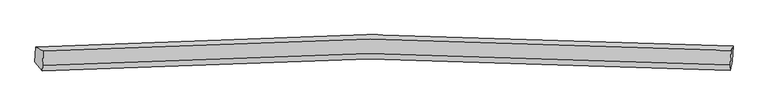
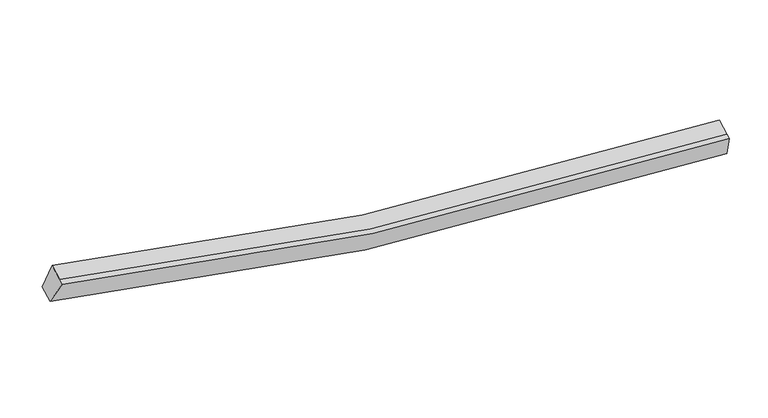
"""IFC4 building model written with IfcOpenShell, lengths in millimetres: proxy geometry."""

from ifc_helpers import new_model, si_unit, frame, origin, place, context, project, spatial, source, transform, mapped, element, save
from ifc_brep_helpers import plane_surface, spline_curve, spline_surface, advanced_brep


def generic_models_6af032a0(model_context):
    return source(origin(), model_context, "Body", "AdvancedBrep", [
        advanced_brep(
        [(-9465.9263766, -1861.3106986, 4316.8467789), (-9246.4369669, -1984.2141549, 4986.4795535), (10544.1304342, -1966.2738791, 2608.3012452), (10601.8425895, -1843.0189854, 1906.0431362), (-9265.9842343, -2404.5746541, 4815.8678601), (10524.5831667, -2386.6343784, 2437.6895519), (-9272.8718462, -2552.6915177, 4755.7516766), (10517.6955549, -2534.751242, 2377.5733683), (-9486.0215724, -2293.4542985, 4141.452679), (10581.7473937, -2275.1625853, 1730.6490364)],
        [
            (0, 1),
            (1, 2, spline_curve(3, [(-9246.4369669, -1984.2141549, 4986.4795535), (-6141.165403625, -1765.831830867, 4109.914816101), (-3006.439838329, -1650.899739025, 3471.459521288), (3585.308321865, -1626.980264507, 2637.44267932), (7047.438556092, -1735.932262914, 2483.171872079), (10544.1304342, -1966.2738791, 2608.3012452)], [4, 2, 4], [0.0, 31.726532313331905, 66.09400840976194])),
            (2, 3),
            (3, 0, spline_curve(3, [(10601.8425895, -1843.0189854, 1906.0431362), (7055.170774818, -1609.057736226, 1777.721840204), (3544.066052779, -1498.399910688, 1933.400844408), (-3139.934040188, -1522.719359708, 2778.972619866), (-6318.085639184, -1639.474424382, 3426.894829199), (-9465.9263766, -1861.3106986, 4316.8467789)], [4, 2, 4], [0.0, 34.36747609643004, 66.09400840976194])),
            (1, 4),
            (4, 5, spline_curve(3, [(-9265.9842343, -2404.5746541, 4815.8678601), (-6160.712670932, -2186.192329355, 3939.303123536), (-3025.987105107, -2071.260238748, 3300.847827206), (3565.761053583, -2047.340763349, 2466.830986659), (7027.891289062, -2156.292762336, 2312.560178974), (10524.5831667, -2386.6343784, 2437.6895519)], [4, 2, 4], [0.0, 31.5056663927951, 65.63389149987654])),
            (5, 2),
            (4, 6),
            (6, 7, spline_curve(3, [(-9272.8718462, -2552.6915177, 4755.7516766), (-6167.600282832, -2334.309192955, 3879.186940036), (-3032.874716907, -2219.377102348, 3240.731643706), (3558.873441783, -2195.457626949, 2406.714803159), (7021.003677262, -2304.409625936, 2252.443995374), (10517.6955549, -2534.751242, 2377.5733683)], [4, 2, 4], [0.0, 31.5056663927951, 65.63389149987654])),
            (7, 5),
            (6, 8),
            (8, 9, spline_curve(3, [(-9486.0215724, -2293.4542985, 4141.452679), (-6338.180834984, -2071.618024282, 3251.500729299), (-3160.029235988, -1954.862959708, 2603.578520066), (3523.970856979, -1930.543510688, 1758.006744608), (7035.075579018, -2041.201336126, 1602.327740404), (10581.7473937, -2275.1625853, 1730.6490364)], [4, 2, 4], [0.0, 31.72653231333189, 66.09400840976191])),
            (9, 7),
            (8, 0),
            (3, 9),
        ],
        [
            spline_surface(3, 3, [[(-9465.9263766, -1861.3106986, 4316.8467789), (-6318.08563936, -1639.474424398, 3426.894828948), (-3139.934039948, -1522.719360143, 2778.972619559), (3544.066052519, -1498.399910217, 1933.400844741), (7055.170775154, -1609.057736715, 1777.721839857), (10601.8425895, -1843.0189854, 1906.0431362)], [(-9392.763240028, -1902.278517367, 4540.057703773), (-6259.112227458, -1681.593559763, 3654.568158177), (-3095.435972625, -1565.446153206, 3009.801586685), (3557.813475513, -1541.260028185, 2168.081456383), (7052.593368833, -1651.349245589, 2012.87185076), (10582.605204391, -1884.103949978, 2140.129172542)], [(-9319.600103472, -1943.246336133, 4763.268628627), (-6200.138815573, -1723.712695128, 3882.241487386), (-3050.937905309, -1608.172946295, 3240.630553826), (3571.5608985, -1584.120146179, 2402.762068042), (7050.01596254, -1693.64075443, 2248.021861638), (10563.367819309, -1925.188914522, 2374.215208858)], [(-9246.4369669, -1984.2141549, 4986.4795535), (-6141.165403671, -1765.831830494, 4109.914816615), (-3006.439837986, -1650.899739357, 3471.459520951), (3585.308321494, -1626.980264148, 2637.442679685), (7047.438556219, -1735.932263305, 2483.171872541), (10544.1304342, -1966.2738791, 2608.3012452)]], [4, 4], [4, 2, 4], [0.0, 2.346832840334105], [0.0, 31.726532313331905, 66.09400840976194]),
            spline_surface(3, 3, [[(-9246.4369669, -1984.2141549, 4986.4795535), (-6141.165403671, -1765.831830494, 4109.914816615), (-3006.439837986, -1650.899739357, 3471.459520951), (3585.308321494, -1626.980264148, 2637.442679685), (7047.438556219, -1735.932263305, 2483.171872541), (10544.1304342, -1966.2738791, 2608.3012452)], [(-9252.952722723, -2124.334321328, 4929.608989041), (-6147.681159494, -1905.951996921, 4053.044252156), (-3012.955593809, -1791.019905785, 3414.588956492), (3578.792565671, -1767.100430575, 2580.572115226), (7040.922800396, -1876.052429732, 2426.301308082), (10537.614678377, -2106.394045528, 2551.430680741)], [(-9259.468478477, -2264.454487672, 4872.738424559), (-6154.196915248, -2046.072163266, 3996.173687674), (-3019.471349663, -1931.140072229, 3357.71839201), (3572.276809816, -1907.22059702, 2523.701550744), (7034.407044541, -2016.172596177, 2369.430743699), (10531.098922523, -2246.514211972, 2494.560116359)], [(-9265.9842343, -2404.5746541, 4815.8678601), (-6160.712671071, -2186.192329694, 3939.303123215), (-3025.987105486, -2071.260238657, 3300.847827551), (3565.761053994, -2047.340763448, 2466.830986285), (7027.891288719, -2156.292762605, 2312.560179241), (10524.5831667, -2386.6343784, 2437.6895519)]], [4, 4], [4, 2, 4], [0.0, 1.4897809341127186], [0.0, 31.5056663927951, 65.63389149987654]),
            spline_surface(3, 3, [[(-9265.9842343, -2404.5746541, 4815.8678601), (-6160.712671071, -2186.192329694, 3939.303123215), (-3025.987105486, -2071.260238657, 3300.847827551), (3565.761053994, -2047.340763448, 2466.830986285), (7027.891288719, -2156.292762605, 2312.560179241), (10524.5831667, -2386.6343784, 2437.6895519)], [(-9268.280104911, -2453.946941967, 4795.829132262), (-6163.008541682, -2235.564617561, 3919.264395377), (-3028.282976097, -2120.632526524, 3280.809099713), (3563.465183382, -2096.713051315, 2446.792258447), (7025.595418107, -2205.665050472, 2292.521451403), (10522.287296089, -2436.006666267, 2417.650824062)], [(-9270.575975589, -2503.319229833, 4775.790404438), (-6165.30441236, -2284.936905427, 3899.225667553), (-3030.578846675, -2170.00481439, 3260.770371889), (3561.169312805, -2146.08533918, 2426.753530623), (7023.29954753, -2255.037338338, 2272.482723478), (10519.991425511, -2485.378954133, 2397.612096138)], [(-9272.8718462, -2552.6915177, 4755.7516766), (-6167.600282971, -2334.309193294, 3879.186939715), (-3032.874717286, -2219.377102257, 3240.731644051), (3558.873442194, -2195.457627048, 2406.714802785), (7021.003676919, -2304.409626205, 2252.443995641), (10517.6955549, -2534.751242, 2377.5733683)]], [4, 4], [4, 2, 4], [0.0, 0.5249343832020977], [0.0, 31.5056663927951, 65.63389149987654]),
            spline_surface(3, 3, [[(-9272.8718462, -2552.6915177, 4755.7516766), (-6167.600282971, -2334.309193294, 3879.186939715), (-3032.874717286, -2219.377102257, 3240.731644051), (3558.873442194, -2195.457627048, 2406.714802785), (7021.003676919, -2304.409626205, 2252.443995641), (10517.6955549, -2534.751242, 2377.5733683)], [(-9343.921754933, -2466.279111282, 4550.985344087), (-6224.460467033, -2246.745470277, 3669.958202847), (-3075.259556769, -2131.205721544, 3028.347269287), (3547.23924704, -2107.152921428, 2190.478783503), (7025.694311079, -2216.673529679, 2035.738577099), (10539.046167849, -2448.221689771, 2161.931924319)], [(-9414.971663667, -2379.866704918, 4346.219011513), (-6281.320651097, -2159.181747314, 3460.729465916), (-3117.644396265, -2043.034340857, 2815.962894524), (3535.605051873, -2018.848215836, 1974.242764222), (7030.384945193, -2128.93743314, 1819.033158599), (10560.396780751, -2361.692137529, 1946.290480381)], [(-9486.0215724, -2293.4542985, 4141.452679), (-6338.18083516, -2071.618024298, 3251.500729048), (-3160.029235748, -1954.862960143, 2603.578519759), (3523.970856719, -1930.543510217, 1758.006744941), (7035.075579354, -2041.201336615, 1602.327740057), (10581.7473937, -2275.1625853, 1730.6490364)]], [4, 4], [4, 2, 4], [0.0, 2.29655543361318], [0.0, 31.72653231333189, 66.09400840976191]),
            spline_surface(3, 3, [[(-9486.0215724, -2293.4542985, 4141.452679), (-6338.18083516, -2071.618024298, 3251.500729048), (-3160.029235748, -1954.862960143, 2603.578519759), (3523.970856719, -1930.543510217, 1758.006744941), (7035.075579354, -2041.201336615, 1602.327740057), (10581.7473937, -2275.1625853, 1730.6490364)], [(-9479.323173806, -2149.406431856, 4199.917378935), (-6331.482436565, -1927.570157654, 3309.965428983), (-3153.330837154, -1810.8150935, 2662.043219695), (3530.669255313, -1786.495643573, 1816.471444876), (7041.773977949, -1897.153469971, 1660.792439993), (10588.445792294, -2131.114718656, 1789.113736335)], [(-9472.624775194, -2005.358565244, 4258.382078965), (-6324.784037954, -1783.522291041, 3368.430129012), (-3146.632438543, -1666.767226787, 2720.507919624), (3537.367653925, -1642.447776861, 1874.936144805), (7048.47237656, -1753.105603358, 1719.257139922), (10595.144190906, -1987.066852044, 1847.578436265)], [(-9465.9263766, -1861.3106986, 4316.8467789), (-6318.08563936, -1639.474424398, 3426.894828948), (-3139.934039948, -1522.719360143, 2778.972619559), (3544.066052519, -1498.399910217, 1933.400844741), (7055.170775154, -1609.057736715, 1777.721839857), (10601.8425895, -1843.0189854, 1906.0431362)]], [4, 4], [4, 2, 4], [0.0, 1.5315408966213684], [0.0, 31.947398588907014, 66.55412605927764]),
            plane_surface(frame((10561.3539931, -2154.801673, 2155.6416966), z_axis=(0.9948739496247542, -0.07416353377522249, 0.06874296048333836), x_axis=(0.0915026269241482, 0.3708409381247612, -0.9241776170610968))),
            plane_surface(frame((-9367.8141905, -2172.9176674, 4550.132672), z_axis=(-0.9515392238807907, -0.07663120545424634, 0.2978267344732029), x_axis=(-0.043047573962082836, -0.9257303975071388, -0.3757261469571339))),
        ],
        [
            (0, [[1, 2, 3, 4]]),
            (1, [[5, 6, 7, -2]]),
            (2, [[8, 9, 10, -6]]),
            (3, [[11, 12, 13, -9]]),
            (4, [[14, -4, 15, -12]]),
            (5, [[-13, -15, -3, -7, -10]]),
            (6, [[-14, -11, -8, -5, -1]]),
        ],
    ),
    ])


if __name__ == "__main__":
    model = new_model("IFC4")
    model_context = context("Model", 3, world=origin())
    ifc_project = project(units=[si_unit("LENGTHUNIT", "METRE", prefix="MILLI")], contexts=[model_context])
    site = spatial("IfcSite", under=ifc_project)
    building = spatial("IfcBuilding", under=site)
    placement = place(None, origin())
    generic_models_shape = generic_models_6af032a0(model_context)
    element("IfcBuildingElementProxy", 1, Name="Generic Models", at=placement, inside=building, context=model_context, shape_type="MappedRepresentation", body=[
        mapped(generic_models_shape, transform((0.0, 0.0, 0.0), x_axis=(1.0, 0.0, 0.0), y_axis=(0.0, 1.0, 0.0), z_axis=(0.0, 0.0, 1.0))),
    ])
    save(model, "model.ifc")
